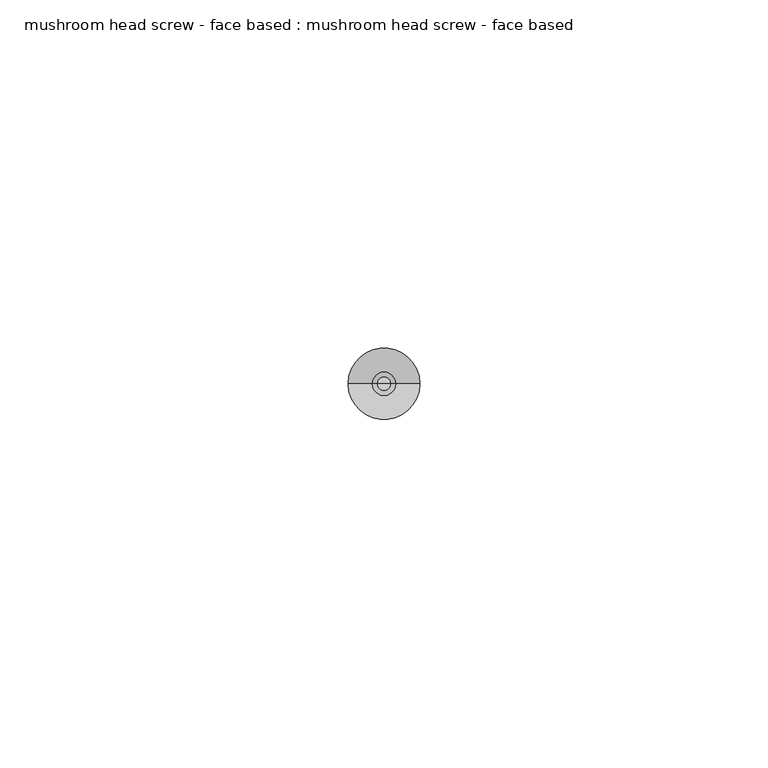
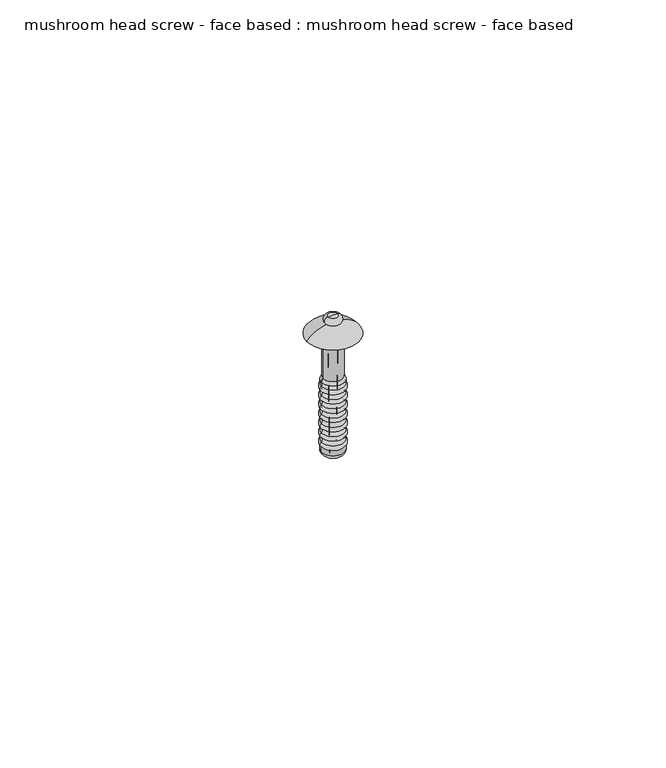
"""IFC4 building model written with IfcOpenShell, lengths in millimetres: proxy geometry, mushroom head screw - face based : mushroom head screw - face based."""

from ifc_helpers import new_model, si_unit, point, frame, origin, place, context, project, spatial, polyline, circle_curve, ellipse_curve, trimmed, source, transform, mapped, element, save
from ifc_brep_helpers import plane_surface, cylinder_surface, revolved_surface, advanced_brep


def mushroom_head_screw_face_based_mushroom_head_screw_face_8a038db7(model_context):
    return source(origin(), model_context, "Body", "AdvancedBrep", [
        advanced_brep(
        [(4.5171175, 0.0, -21.5908837), (5.1406097, 0.0, -23.6302347), (5.7641019, 0.0, -21.5908837), (4.3406097, 0.0, -3.6302347), (5.9406097, 0.0, -3.6302347), (5.1406097, 0.0, -3.6302347)],
        [
            (0, 1),
            (1, 2),
            (2, 0, circle_curve(frame((5.1406097, 0.0, -21.5908837), z_axis=(0.0, 0.0, -1.0), x_axis=(1.0, 0.0, 0.0)), 0.6234922)),
            (0, 2, circle_curve(frame((5.1406097, 0.0, -21.5908837), z_axis=(0.0, 0.0, -1.0), x_axis=(1.0, 0.0, 0.0)), 0.6234922)),
            (3, 0),
            (2, 4),
            (4, 3, circle_curve(frame((5.1406097, 0.0, -3.6302347), z_axis=(0.0, 0.0, -1.0), x_axis=(1.0, 0.0, 0.0)), 0.8)),
            (3, 4, circle_curve(frame((5.1406097, 0.0, -3.6302347), z_axis=(0.0, 0.0, -1.0), x_axis=(1.0, 0.0, 0.0)), 0.8)),
            (5, 3),
            (4, 5),
        ],
        [
            revolved_surface(polyline([(5.1406097, 0.0, -23.6302347), (5.7641019, 0.0, -21.5908837)]), (5.1406097, 0.0, 0.0), (0.0, 0.0, 1.0)),
            revolved_surface(polyline([(5.7641019, 0.0, -21.5908837), (5.9406097, 0.0, -3.6302347)]), (5.1406097, 0.0, 0.0), (0.0, 0.0, 1.0)),
            plane_surface(frame((5.1406097, 0.0, -3.6302347), z_axis=(0.0, 0.0, 1.0), x_axis=(1.0, 0.0, 0.0))),
        ],
        [
            (0, [[1, 2, 3]]),
            (0, [[-2, -1, 4]]),
            (1, [[5, -3, 6, 7]]),
            (1, [[-6, -4, -5, 8]]),
            (2, [[9, -7, 10]]),
            (2, [[-10, -8, -9]]),
        ],
    ),
        advanced_brep(
        [(4.3406097, 0.0, -3.6302347), (5.1406097, 0.0, -3.6302347), (5.9406097, 0.0, -3.6302347), (4.6214235, 0.0, -25.0013937), (5.6597959, 0.0, -25.0013937), (3.6214235, 0.0, -25.0013937), (6.6597959, 0.0, -25.0013937), (2.8756734, 0.0, -24.1435063), (7.405546, 0.0, -24.1435063), (2.8756734, 0.0, -23.0427099), (7.405546, 0.0, -23.0427099), (2.8756734, 0.0, -22.0638705), (7.405546, 0.0, -22.0638705), (2.8756734, 0.0, -21.1029505), (7.405546, 0.0, -21.1029505), (2.8756734, 0.0, -20.124111), (7.405546, 0.0, -20.124111), (2.8756734, 0.0, -19.163191), (7.405546, 0.0, -19.163191), (2.8756734, 0.0, -18.1843516), (7.405546, 0.0, -18.1843516), (2.8756734, 0.0, -17.2234316), (7.405546, 0.0, -17.2234316), (2.8756734, 0.0, -16.2445921), (7.405546, 0.0, -16.2445921), (2.8756734, 0.0, -15.2836722), (7.405546, 0.0, -15.2836722), (2.8756734, 0.0, -14.3048327), (7.405546, 0.0, -14.3048327), (2.8756734, 0.0, -13.3439127), (7.405546, 0.0, -13.3439127), (2.8756734, 0.0, -12.3650733), (7.405546, 0.0, -12.3650733), (2.8756734, 0.0, -11.4041533), (7.405546, 0.0, -11.4041533), (2.8756734, 0.0, -10.4253138), (7.405546, 0.0, -10.4253138), (2.8756734, 0.0, -9.5987495), (7.405546, 0.0, -9.5987495), (3.1888979, 0.0, -8.8608387), (7.0923215, 0.0, -8.8608387), (3.1888979, 0.0, 0.0), (7.0923215, 0.0, 0.0), (0.0, 0.0, 0.0), (10.2812194, 0.0, 0.0), (4.2156904, 0.0, 2.2317279), (6.0655289, 0.0, 2.2317279), (4.1406097, 0.0, 3.6643541), (6.1406097, 0.0, 3.6643541), (5.1406097, 0.0, 3.6643541)],
        [
            (0, 1),
            (1, 2),
            (2, 0, circle_curve(frame((5.1406097, 0.0, -3.6302347), z_axis=(0.0, 0.0, -1.0), x_axis=(1.0, 0.0, 0.0)), 0.8)),
            (0, 2, circle_curve(frame((5.1406097, 0.0, -3.6302347), z_axis=(0.0, 0.0, -1.0), x_axis=(1.0, 0.0, 0.0)), 0.8)),
            (3, 0),
            (2, 4),
            (4, 3, circle_curve(frame((5.1406097, 0.0, -25.0013937), z_axis=(0.0, 0.0, -1.0), x_axis=(1.0, 0.0, 0.0)), 0.5191862)),
            (3, 4, circle_curve(frame((5.1406097, 0.0, -25.0013937), z_axis=(0.0, 0.0, -1.0), x_axis=(1.0, 0.0, 0.0)), 0.5191862)),
            (5, 3),
            (4, 6),
            (6, 5, circle_curve(frame((5.1406097, 0.0, -25.0013937), z_axis=(0.0, 0.0, -1.0), x_axis=(1.0, 0.0, 0.0)), 1.5191862)),
            (5, 6, circle_curve(frame((5.1406097, 0.0, -25.0013937), z_axis=(0.0, 0.0, -1.0), x_axis=(1.0, 0.0, 0.0)), 1.5191862)),
            (7, 5, circle_curve(frame((3.7419917, 0.0, -24.1435063), z_axis=(0.0, -1.0, 0.0), x_axis=(-1.0, 0.0, 0.0)), 0.8663184)),
            (6, 8, circle_curve(frame((6.5392276, 0.0, -24.1435063), z_axis=(0.0, -1.0, 0.0), x_axis=(1.0, 0.0, 0.0)), 0.8663184)),
            (8, 7, circle_curve(frame((5.1406097, 0.0, -24.1435063), z_axis=(0.0, 0.0, -1.0), x_axis=(1.0, 0.0, 0.0)), 2.2649363)),
            (7, 8, circle_curve(frame((5.1406097, 0.0, -24.1435063), z_axis=(0.0, 0.0, -1.0), x_axis=(1.0, 0.0, 0.0)), 2.2649363)),
            (9, 7),
            (8, 10),
            (10, 9, circle_curve(frame((5.1406097, 0.0, -23.0427099), z_axis=(0.0, 0.0, -1.0), x_axis=(1.0, 0.0, 0.0)), 2.2649363)),
            (9, 10, circle_curve(frame((5.1406097, 0.0, -23.0427099), z_axis=(0.0, 0.0, -1.0), x_axis=(1.0, 0.0, 0.0)), 2.2649363)),
            (11, 9, circle_curve(frame((3.3151256, 0.0, -22.5532902), z_axis=(0.0, -1.0, 0.0), x_axis=(-1.0, 0.0, 0.0)), 0.6577613)),
            (10, 12, circle_curve(frame((6.9660938, 0.0, -22.5532902), z_axis=(0.0, -1.0, 0.0), x_axis=(1.0, 0.0, 0.0)), 0.6577613)),
            (12, 11, circle_curve(frame((5.1406097, 0.0, -22.0638705), z_axis=(0.0, 0.0, -1.0), x_axis=(1.0, 0.0, 0.0)), 2.2649363)),
            (11, 12, circle_curve(frame((5.1406097, 0.0, -22.0638705), z_axis=(0.0, 0.0, -1.0), x_axis=(1.0, 0.0, 0.0)), 2.2649363)),
            (13, 11, circle_curve(frame((2.4442661, 0.0, -21.5834105), z_axis=(0.0, 1.0, 0.0), x_axis=(-1.0, 0.0, 0.0)), 0.6457198)),
            (12, 14, circle_curve(frame((7.8369533, 0.0, -21.5834105), z_axis=(0.0, 1.0, 0.0), x_axis=(1.0, 0.0, 0.0)), 0.6457198)),
            (14, 13, circle_curve(frame((5.1406097, 0.0, -21.1029505), z_axis=(0.0, 0.0, -1.0), x_axis=(1.0, 0.0, 0.0)), 2.2649363)),
            (13, 14, circle_curve(frame((5.1406097, 0.0, -21.1029505), z_axis=(0.0, 0.0, -1.0), x_axis=(1.0, 0.0, 0.0)), 2.2649363)),
            (15, 13, circle_curve(frame((3.3151256, 0.0, -20.6135308), z_axis=(0.0, -1.0, 0.0), x_axis=(-1.0, 0.0, 0.0)), 0.6577613)),
            (14, 16, circle_curve(frame((6.9660938, 0.0, -20.6135308), z_axis=(0.0, -1.0, 0.0), x_axis=(1.0, 0.0, 0.0)), 0.6577613)),
            (16, 15, circle_curve(frame((5.1406097, 0.0, -20.124111), z_axis=(0.0, 0.0, -1.0), x_axis=(1.0, 0.0, 0.0)), 2.2649363)),
            (15, 16, circle_curve(frame((5.1406097, 0.0, -20.124111), z_axis=(0.0, 0.0, -1.0), x_axis=(1.0, 0.0, 0.0)), 2.2649363)),
            (17, 15, circle_curve(frame((2.4442661, 0.0, -19.643651), z_axis=(0.0, 1.0, 0.0), x_axis=(-1.0, 0.0, 0.0)), 0.6457198)),
            (16, 18, circle_curve(frame((7.8369533, 0.0, -19.643651), z_axis=(0.0, 1.0, 0.0), x_axis=(1.0, 0.0, 0.0)), 0.6457198)),
            (18, 17, circle_curve(frame((5.1406097, 0.0, -19.163191), z_axis=(0.0, 0.0, -1.0), x_axis=(1.0, 0.0, 0.0)), 2.2649363)),
            (17, 18, circle_curve(frame((5.1406097, 0.0, -19.163191), z_axis=(0.0, 0.0, -1.0), x_axis=(1.0, 0.0, 0.0)), 2.2649363)),
            (19, 17, circle_curve(frame((3.3151256, 0.0, -18.6737713), z_axis=(0.0, -1.0, 0.0), x_axis=(-1.0, 0.0, 0.0)), 0.6577613)),
            (18, 20, circle_curve(frame((6.9660938, 0.0, -18.6737713), z_axis=(0.0, -1.0, 0.0), x_axis=(1.0, 0.0, 0.0)), 0.6577613)),
            (20, 19, circle_curve(frame((5.1406097, 0.0, -18.1843516), z_axis=(0.0, 0.0, -1.0), x_axis=(1.0, 0.0, 0.0)), 2.2649363)),
            (19, 20, circle_curve(frame((5.1406097, 0.0, -18.1843516), z_axis=(0.0, 0.0, -1.0), x_axis=(1.0, 0.0, 0.0)), 2.2649363)),
            (21, 19, circle_curve(frame((2.4442661, 0.0, -17.7038916), z_axis=(0.0, 1.0, 0.0), x_axis=(-1.0, 0.0, 0.0)), 0.6457198)),
            (20, 22, circle_curve(frame((7.8369533, 0.0, -17.7038916), z_axis=(0.0, 1.0, 0.0), x_axis=(1.0, 0.0, 0.0)), 0.6457198)),
            (22, 21, circle_curve(frame((5.1406097, 0.0, -17.2234316), z_axis=(0.0, 0.0, -1.0), x_axis=(1.0, 0.0, 0.0)), 2.2649363)),
            (21, 22, circle_curve(frame((5.1406097, 0.0, -17.2234316), z_axis=(0.0, 0.0, -1.0), x_axis=(1.0, 0.0, 0.0)), 2.2649363)),
            (23, 21, circle_curve(frame((3.3151256, 0.0, -16.7340119), z_axis=(0.0, -1.0, 0.0), x_axis=(-1.0, 0.0, 0.0)), 0.6577613)),
            (22, 24, circle_curve(frame((6.9660938, 0.0, -16.7340119), z_axis=(0.0, -1.0, 0.0), x_axis=(1.0, 0.0, 0.0)), 0.6577613)),
            (24, 23, circle_curve(frame((5.1406097, 0.0, -16.2445921), z_axis=(0.0, 0.0, -1.0), x_axis=(1.0, 0.0, 0.0)), 2.2649363)),
            (23, 24, circle_curve(frame((5.1406097, 0.0, -16.2445921), z_axis=(0.0, 0.0, -1.0), x_axis=(1.0, 0.0, 0.0)), 2.2649363)),
            (25, 23, circle_curve(frame((2.4442661, 0.0, -15.7641321), z_axis=(0.0, 1.0, 0.0), x_axis=(-1.0, 0.0, 0.0)), 0.6457198)),
            (24, 26, circle_curve(frame((7.8369533, 0.0, -15.7641321), z_axis=(0.0, 1.0, 0.0), x_axis=(1.0, 0.0, 0.0)), 0.6457198)),
            (26, 25, circle_curve(frame((5.1406097, 0.0, -15.2836722), z_axis=(0.0, 0.0, -1.0), x_axis=(1.0, 0.0, 0.0)), 2.2649363)),
            (25, 26, circle_curve(frame((5.1406097, 0.0, -15.2836722), z_axis=(0.0, 0.0, -1.0), x_axis=(1.0, 0.0, 0.0)), 2.2649363)),
            (27, 25, circle_curve(frame((3.3151256, 0.0, -14.7942524), z_axis=(0.0, -1.0, 0.0), x_axis=(-1.0, 0.0, 0.0)), 0.6577613)),
            (26, 28, circle_curve(frame((6.9660938, 0.0, -14.7942524), z_axis=(0.0, -1.0, 0.0), x_axis=(1.0, 0.0, 0.0)), 0.6577613)),
            (28, 27, circle_curve(frame((5.1406097, 0.0, -14.3048327), z_axis=(0.0, 0.0, -1.0), x_axis=(1.0, 0.0, 0.0)), 2.2649363)),
            (27, 28, circle_curve(frame((5.1406097, 0.0, -14.3048327), z_axis=(0.0, 0.0, -1.0), x_axis=(1.0, 0.0, 0.0)), 2.2649363)),
            (29, 27, circle_curve(frame((2.4442661, 0.0, -13.8243727), z_axis=(0.0, 1.0, 0.0), x_axis=(-1.0, 0.0, 0.0)), 0.6457198)),
            (28, 30, circle_curve(frame((7.8369533, 0.0, -13.8243727), z_axis=(0.0, 1.0, 0.0), x_axis=(1.0, 0.0, 0.0)), 0.6457198)),
            (30, 29, circle_curve(frame((5.1406097, 0.0, -13.3439127), z_axis=(0.0, 0.0, -1.0), x_axis=(1.0, 0.0, 0.0)), 2.2649363)),
            (29, 30, circle_curve(frame((5.1406097, 0.0, -13.3439127), z_axis=(0.0, 0.0, -1.0), x_axis=(1.0, 0.0, 0.0)), 2.2649363)),
            (31, 29, circle_curve(frame((3.3151256, 0.0, -12.854493), z_axis=(0.0, -1.0, 0.0), x_axis=(-1.0, 0.0, 0.0)), 0.6577613)),
            (30, 32, circle_curve(frame((6.9660938, 0.0, -12.854493), z_axis=(0.0, -1.0, 0.0), x_axis=(1.0, 0.0, 0.0)), 0.6577613)),
            (32, 31, circle_curve(frame((5.1406097, 0.0, -12.3650733), z_axis=(0.0, 0.0, -1.0), x_axis=(1.0, 0.0, 0.0)), 2.2649363)),
            (31, 32, circle_curve(frame((5.1406097, 0.0, -12.3650733), z_axis=(0.0, 0.0, -1.0), x_axis=(1.0, 0.0, 0.0)), 2.2649363)),
            (33, 31, circle_curve(frame((2.4442661, 0.0, -11.8846133), z_axis=(0.0, 1.0, 0.0), x_axis=(-1.0, 0.0, 0.0)), 0.6457198)),
            (32, 34, circle_curve(frame((7.8369533, 0.0, -11.8846133), z_axis=(0.0, 1.0, 0.0), x_axis=(1.0, 0.0, 0.0)), 0.6457198)),
            (34, 33, circle_curve(frame((5.1406097, 0.0, -11.4041533), z_axis=(0.0, 0.0, -1.0), x_axis=(1.0, 0.0, 0.0)), 2.2649363)),
            (33, 34, circle_curve(frame((5.1406097, 0.0, -11.4041533), z_axis=(0.0, 0.0, -1.0), x_axis=(1.0, 0.0, 0.0)), 2.2649363)),
            (35, 33, circle_curve(frame((3.3151256, 0.0, -10.9147335), z_axis=(0.0, -1.0, 0.0), x_axis=(-1.0, 0.0, 0.0)), 0.6577613)),
            (34, 36, circle_curve(frame((6.9660938, 0.0, -10.9147335), z_axis=(0.0, -1.0, 0.0), x_axis=(1.0, 0.0, 0.0)), 0.6577613)),
            (36, 35, circle_curve(frame((5.1406097, 0.0, -10.4253138), z_axis=(0.0, 0.0, -1.0), x_axis=(1.0, 0.0, 0.0)), 2.2649363)),
            (35, 36, circle_curve(frame((5.1406097, 0.0, -10.4253138), z_axis=(0.0, 0.0, -1.0), x_axis=(1.0, 0.0, 0.0)), 2.2649363)),
            (37, 35, circle_curve(frame((2.5045854, 0.0, -10.0120317), z_axis=(0.0, 1.0, 0.0), x_axis=(-1.0, 0.0, 0.0)), 0.5554354)),
            (36, 38, circle_curve(frame((7.776634, 0.0, -10.0120317), z_axis=(0.0, 1.0, 0.0), x_axis=(1.0, 0.0, 0.0)), 0.5554354)),
            (38, 37, circle_curve(frame((5.1406097, 0.0, -9.5987495), z_axis=(0.0, 0.0, -1.0), x_axis=(1.0, 0.0, 0.0)), 2.2649363)),
            (37, 38, circle_curve(frame((5.1406097, 0.0, -9.5987495), z_axis=(0.0, 0.0, -1.0), x_axis=(1.0, 0.0, 0.0)), 2.2649363)),
            (39, 37),
            (38, 40),
            (40, 39, circle_curve(frame((5.1406097, 0.0, -8.8608387), z_axis=(0.0, 0.0, -1.0), x_axis=(1.0, 0.0, 0.0)), 1.9517118)),
            (39, 40, circle_curve(frame((5.1406097, 0.0, -8.8608387), z_axis=(0.0, 0.0, -1.0), x_axis=(1.0, 0.0, 0.0)), 1.9517118)),
            (41, 39),
            (40, 42),
            (42, 41, circle_curve(frame((5.1406097, 0.0, 0.0), z_axis=(0.0, 0.0, -1.0), x_axis=(1.0, 0.0, 0.0)), 1.9517118)),
            (41, 42, circle_curve(frame((5.1406097, 0.0, 0.0), z_axis=(0.0, 0.0, -1.0), x_axis=(1.0, 0.0, 0.0)), 1.9517118)),
            (43, 41),
            (42, 44),
            (44, 43, circle_curve(frame((5.1406097, 0.0, 0.0), z_axis=(0.0, 0.0, -1.0), x_axis=(1.0, 0.0, 0.0)), 5.1406097)),
            (43, 44, circle_curve(frame((5.1406097, 0.0, 0.0), z_axis=(0.0, 0.0, -1.0), x_axis=(1.0, 0.0, 0.0)), 5.1406097)),
            (45, 43, circle_curve(frame((4.3678234, 0.0, -3.1531906), z_axis=(0.0, -1.0, 0.0), x_axis=(-1.0, 0.0, 0.0)), 5.3870671)),
            (44, 46, circle_curve(frame((5.913396, 0.0, -3.1531906), z_axis=(0.0, -1.0, 0.0), x_axis=(1.0, 0.0, 0.0)), 5.3870671)),
            (46, 45, circle_curve(frame((5.1406097, 0.0, 2.2317279), z_axis=(0.0, 0.0, -1.0), x_axis=(1.0, 0.0, 0.0)), 0.9249192)),
            (45, 46, circle_curve(frame((5.1406097, 0.0, 2.2317279), z_axis=(0.0, 0.0, -1.0), x_axis=(1.0, 0.0, 0.0)), 0.9249192)),
            (47, 45, circle_curve(frame((4.1954278, 0.0, 2.9489465), z_axis=(0.0, -1.0, 0.0), x_axis=(-1.0, 0.0, 0.0)), 0.7175048)),
            (46, 48, circle_curve(frame((6.0857916, 0.0, 2.9489465), z_axis=(0.0, -1.0, 0.0), x_axis=(1.0, 0.0, 0.0)), 0.7175048)),
            (48, 47, circle_curve(frame((5.1406097, 0.0, 3.6643541), z_axis=(0.0, 0.0, -1.0), x_axis=(1.0, 0.0, 0.0)), 1.0)),
            (47, 48, circle_curve(frame((5.1406097, 0.0, 3.6643541), z_axis=(0.0, 0.0, -1.0), x_axis=(1.0, 0.0, 0.0)), 1.0)),
            (49, 47),
            (48, 49),
        ],
        [
            plane_surface(frame((5.1406097, 0.0, -3.6302347), z_axis=(0.0, 0.0, -1.0), x_axis=(1.0, 0.0, 0.0))),
            revolved_surface(polyline([(5.9406097, 0.0, -3.6302347), (5.6597959, 0.0, -25.0013937)]), (5.1406097, 0.0, 3.6643541), (0.0, 0.0, 1.0)),
            plane_surface(frame((5.1406097, 0.0, -25.0013937), z_axis=(0.0, 0.0, -1.0), x_axis=(1.0, 0.0, 0.0))),
            revolved_surface(trimmed(ellipse_curve(frame((6.5392276, 0.0, -24.1435063), z_axis=(0.0, -1.0, 0.0), x_axis=(1.0, 0.0, 0.0)), 0.8663184, 0.8663184), [point((6.6597959, 0.0, -25.0013937))], [point((7.405546, 0.0, -24.1435063))], True, "CARTESIAN"), (5.1406097, 0.0, 3.6643541), (0.0, 0.0, 1.0)),
            cylinder_surface(frame((5.1406097, 0.0, 3.6643541), z_axis=(0.0, 0.0, 1.0), x_axis=(1.0, 0.0, 0.0)), 2.2649363),
            revolved_surface(trimmed(ellipse_curve(frame((6.9660938, 0.0, -22.5532902), z_axis=(0.0, -1.0, 0.0), x_axis=(1.0, 0.0, 0.0)), 0.6577613, 0.6577613), [point((7.405546, 0.0, -23.0427099))], [point((7.405546, 0.0, -22.0638705))], True, "CARTESIAN"), (5.1406097, 0.0, 3.6643541), (0.0, 0.0, 1.0)),
            revolved_surface(trimmed(ellipse_curve(frame((7.8369533, 0.0, -21.5834105), z_axis=(0.0, 1.0, 0.0), x_axis=(1.0, 0.0, 0.0)), 0.6457198, 0.6457198), [point((7.405546, 0.0, -22.0638705))], [point((7.405546, 0.0, -21.1029505))], True, "CARTESIAN"), (5.1406097, 0.0, 3.6643541), (0.0, 0.0, 1.0)),
            revolved_surface(trimmed(ellipse_curve(frame((6.9660938, 0.0, -20.6135308), z_axis=(0.0, -1.0, 0.0), x_axis=(1.0, 0.0, 0.0)), 0.6577613, 0.6577613), [point((7.405546, 0.0, -21.1029505))], [point((7.405546, 0.0, -20.124111))], True, "CARTESIAN"), (5.1406097, 0.0, 3.6643541), (0.0, 0.0, 1.0)),
            revolved_surface(trimmed(ellipse_curve(frame((7.8369533, 0.0, -19.643651), z_axis=(0.0, 1.0, 0.0), x_axis=(1.0, 0.0, 0.0)), 0.6457198, 0.6457198), [point((7.405546, 0.0, -20.124111))], [point((7.405546, 0.0, -19.163191))], True, "CARTESIAN"), (5.1406097, 0.0, 3.6643541), (0.0, 0.0, 1.0)),
            revolved_surface(trimmed(ellipse_curve(frame((6.9660938, 0.0, -18.6737713), z_axis=(0.0, -1.0, 0.0), x_axis=(1.0, 0.0, 0.0)), 0.6577613, 0.6577613), [point((7.405546, 0.0, -19.163191))], [point((7.405546, 0.0, -18.1843516))], True, "CARTESIAN"), (5.1406097, 0.0, 3.6643541), (0.0, 0.0, 1.0)),
            revolved_surface(trimmed(ellipse_curve(frame((7.8369533, 0.0, -17.7038916), z_axis=(0.0, 1.0, 0.0), x_axis=(1.0, 0.0, 0.0)), 0.6457198, 0.6457198), [point((7.405546, 0.0, -18.1843516))], [point((7.405546, 0.0, -17.2234316))], True, "CARTESIAN"), (5.1406097, 0.0, 3.6643541), (0.0, 0.0, 1.0)),
            revolved_surface(trimmed(ellipse_curve(frame((6.9660938, 0.0, -16.7340119), z_axis=(0.0, -1.0, 0.0), x_axis=(1.0, 0.0, 0.0)), 0.6577613, 0.6577613), [point((7.405546, 0.0, -17.2234316))], [point((7.405546, 0.0, -16.2445921))], True, "CARTESIAN"), (5.1406097, 0.0, 3.6643541), (0.0, 0.0, 1.0)),
            revolved_surface(trimmed(ellipse_curve(frame((7.8369533, 0.0, -15.7641321), z_axis=(0.0, 1.0, 0.0), x_axis=(1.0, 0.0, 0.0)), 0.6457198, 0.6457198), [point((7.405546, 0.0, -16.2445921))], [point((7.405546, 0.0, -15.2836722))], True, "CARTESIAN"), (5.1406097, 0.0, 3.6643541), (0.0, 0.0, 1.0)),
            revolved_surface(trimmed(ellipse_curve(frame((6.9660938, 0.0, -14.7942524), z_axis=(0.0, -1.0, 0.0), x_axis=(1.0, 0.0, 0.0)), 0.6577613, 0.6577613), [point((7.405546, 0.0, -15.2836722))], [point((7.405546, 0.0, -14.3048327))], True, "CARTESIAN"), (5.1406097, 0.0, 3.6643541), (0.0, 0.0, 1.0)),
            revolved_surface(trimmed(ellipse_curve(frame((7.8369533, 0.0, -13.8243727), z_axis=(0.0, 1.0, 0.0), x_axis=(1.0, 0.0, 0.0)), 0.6457198, 0.6457198), [point((7.405546, 0.0, -14.3048327))], [point((7.405546, 0.0, -13.3439127))], True, "CARTESIAN"), (5.1406097, 0.0, 3.6643541), (0.0, 0.0, 1.0)),
            revolved_surface(trimmed(ellipse_curve(frame((6.9660938, 0.0, -12.854493), z_axis=(0.0, -1.0, 0.0), x_axis=(1.0, 0.0, 0.0)), 0.6577613, 0.6577613), [point((7.405546, 0.0, -13.3439127))], [point((7.405546, 0.0, -12.3650733))], True, "CARTESIAN"), (5.1406097, 0.0, 3.6643541), (0.0, 0.0, 1.0)),
            revolved_surface(trimmed(ellipse_curve(frame((7.8369533, 0.0, -11.8846133), z_axis=(0.0, 1.0, 0.0), x_axis=(1.0, 0.0, 0.0)), 0.6457198, 0.6457198), [point((7.405546, 0.0, -12.3650733))], [point((7.405546, 0.0, -11.4041533))], True, "CARTESIAN"), (5.1406097, 0.0, 3.6643541), (0.0, 0.0, 1.0)),
            revolved_surface(trimmed(ellipse_curve(frame((6.9660938, 0.0, -10.9147335), z_axis=(0.0, -1.0, 0.0), x_axis=(1.0, 0.0, 0.0)), 0.6577613, 0.6577613), [point((7.405546, 0.0, -11.4041533))], [point((7.405546, 0.0, -10.4253138))], True, "CARTESIAN"), (5.1406097, 0.0, 3.6643541), (0.0, 0.0, 1.0)),
            revolved_surface(trimmed(ellipse_curve(frame((7.776634, 0.0, -10.0120317), z_axis=(0.0, 1.0, 0.0), x_axis=(1.0, 0.0, 0.0)), 0.5554354, 0.5554354), [point((7.405546, 0.0, -10.4253138))], [point((7.405546, 0.0, -9.5987495))], True, "CARTESIAN"), (5.1406097, 0.0, 3.6643541), (0.0, 0.0, 1.0)),
            revolved_surface(polyline([(7.405546, 0.0, -9.5987495), (7.0923215, 0.0, -8.8608387)]), (5.1406097, 0.0, 3.6643541), (0.0, 0.0, 1.0)),
            cylinder_surface(frame((5.1406097, 0.0, 3.6643541), z_axis=(0.0, 0.0, 1.0), x_axis=(1.0, 0.0, 0.0)), 1.9517118),
            plane_surface(frame((5.1406097, 0.0, 0.0), z_axis=(0.0, 0.0, -1.0), x_axis=(1.0, 0.0, 0.0))),
            revolved_surface(trimmed(ellipse_curve(frame((5.913396, 0.0, -3.1531906), z_axis=(0.0, -1.0, 0.0), x_axis=(1.0, 0.0, 0.0)), 5.3870671, 5.3870671), [point((10.2812194, 0.0, 0.0))], [point((6.0655289, 0.0, 2.2317279))], True, "CARTESIAN"), (5.1406097, 0.0, 3.6643541), (0.0, 0.0, 1.0)),
            revolved_surface(trimmed(ellipse_curve(frame((6.0857916, 0.0, 2.9489465), z_axis=(0.0, -1.0, 0.0), x_axis=(1.0, 0.0, 0.0)), 0.7175048, 0.7175048), [point((6.0655289, 0.0, 2.2317279))], [point((6.1406097, 0.0, 3.6643541))], True, "CARTESIAN"), (5.1406097, 0.0, 3.6643541), (0.0, 0.0, 1.0)),
            plane_surface(frame((5.1406097, 0.0, 3.6643541), z_axis=(0.0, 0.0, 1.0), x_axis=(1.0, 0.0, 0.0))),
        ],
        [
            (0, [[1, 2, 3]]),
            (0, [[-2, -1, 4]]),
            (1, [[5, -3, 6, 7]]),
            (1, [[-6, -4, -5, 8]]),
            (2, [[9, -7, 10, 11]]),
            (2, [[-10, -8, -9, 12]]),
            (3, [[13, -11, 14, 15]]),
            (3, [[-14, -12, -13, 16]]),
            (4, [[17, -15, 18, 19]]),
            (4, [[-18, -16, -17, 20]]),
            (5, [[21, -19, 22, 23]]),
            (5, [[-22, -20, -21, 24]]),
            (6, [[25, -23, 26, 27]]),
            (6, [[-26, -24, -25, 28]]),
            (7, [[29, -27, 30, 31]]),
            (7, [[-30, -28, -29, 32]]),
            (8, [[33, -31, 34, 35]]),
            (8, [[-34, -32, -33, 36]]),
            (9, [[37, -35, 38, 39]]),
            (9, [[-38, -36, -37, 40]]),
            (10, [[41, -39, 42, 43]]),
            (10, [[-42, -40, -41, 44]]),
            (11, [[45, -43, 46, 47]]),
            (11, [[-46, -44, -45, 48]]),
            (12, [[49, -47, 50, 51]]),
            (12, [[-50, -48, -49, 52]]),
            (13, [[53, -51, 54, 55]]),
            (13, [[-54, -52, -53, 56]]),
            (14, [[57, -55, 58, 59]]),
            (14, [[-58, -56, -57, 60]]),
            (15, [[61, -59, 62, 63]]),
            (15, [[-62, -60, -61, 64]]),
            (16, [[65, -63, 66, 67]]),
            (16, [[-66, -64, -65, 68]]),
            (17, [[69, -67, 70, 71]]),
            (17, [[-70, -68, -69, 72]]),
            (18, [[73, -71, 74, 75]]),
            (18, [[-74, -72, -73, 76]]),
            (19, [[77, -75, 78, 79]]),
            (19, [[-78, -76, -77, 80]]),
            (20, [[81, -79, 82, 83]]),
            (20, [[-82, -80, -81, 84]]),
            (21, [[85, -83, 86, 87]]),
            (21, [[-86, -84, -85, 88]]),
            (22, [[89, -87, 90, 91]]),
            (22, [[-90, -88, -89, 92]]),
            (23, [[93, -91, 94, 95]]),
            (23, [[-94, -92, -93, 96]]),
            (24, [[97, -95, 98]]),
            (24, [[-98, -96, -97]]),
        ],
    ),
    ])


if __name__ == "__main__":
    model = new_model("IFC4")
    model_context = context("Model", 3, world=origin())
    ifc_project = project(units=[si_unit("LENGTHUNIT", "METRE", prefix="MILLI")], contexts=[model_context])
    site = spatial("IfcSite", under=ifc_project)
    building = spatial("IfcBuilding", under=site)
    placement = place(None, origin())
    mushroom_head_screw_face_based_mushroom_head_screw_face_shape = mushroom_head_screw_face_based_mushroom_head_screw_face_8a038db7(model_context)
    element("IfcBuildingElementProxy", 1, Name="mushroom head screw - face based : mushroom head screw - face based", ObjectType="mushroom head screw - face based : mushroom head screw - face based", at=placement, inside=building, context=model_context, shape_type="MappedRepresentation", body=[
        mapped(mushroom_head_screw_face_based_mushroom_head_screw_face_shape, transform((0.0, 0.0, 0.0), x_axis=(1.0, 0.0, 0.0), y_axis=(0.0, 1.0, 0.0), z_axis=(0.0, 0.0, 1.0))),
    ])
    save(model, "model.ifc")
